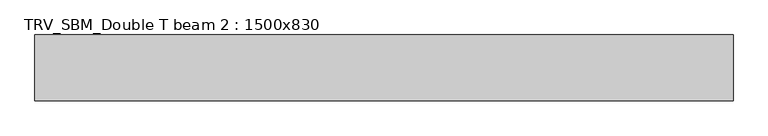
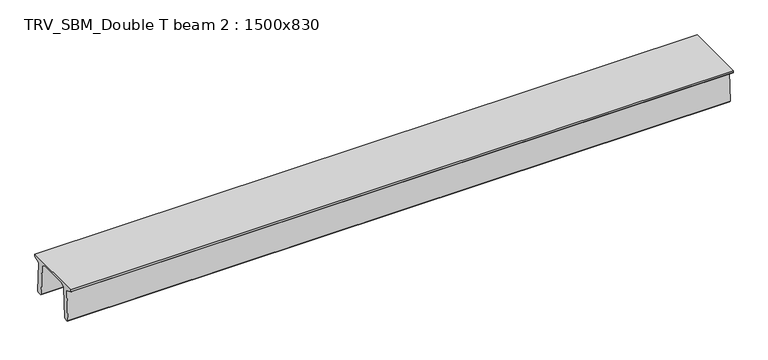
"""IFC4 building model written with IfcOpenShell, lengths in millimetres: beam geometry, TRV_SBM_Double T beam 2 : 1500x830."""

from ifc_helpers import new_model, si_unit, frame, origin, place, context, project, spatial, polyline, outline, extrude, source, transform, mapped, element, save


def trv_sbm_double_t_beam_2_1500x830_ab0b5788(model_context):
    return source(origin(), model_context, "Body", "SweptSolid", [
        extrude(outline(polyline([(337.4555014, 470.0), (-343.4555014, 470.0), (-456.5828437, 409.8491251), (-494.786332, -340.5206011), (-514.2657308, -360.0), (-604.2657308, -360.0), (-624.8277662, -339.4379646), (-586.9373878, 401.9654693), (-752.8511046, 468.9989621), (-753.0, 475.0), (-753.0, 520.0), (747.0, 520.0), (747.0, 475.0), (746.8511046, 468.9989621), (580.9373878, 401.9654693), (618.8277662, -339.4379646), (598.2657308, -360.0), (508.2657308, -360.0), (488.786332, -340.5206011), (450.5828437, 409.8491251), (337.4555014, 470.0)])), frame((-7958.5, 0.0, 0.0), z_axis=(1.0, 0.0, 0.0), x_axis=(0.0, 1.0, 0.0)), (0.0, 0.0, 1.0), 15917.0),
    ])


if __name__ == "__main__":
    model = new_model("IFC4")
    model_context = context("Model", 3, world=origin())
    ifc_project = project(units=[si_unit("LENGTHUNIT", "METRE", prefix="MILLI")], contexts=[model_context])
    site = spatial("IfcSite", under=ifc_project)
    building = spatial("IfcBuilding", under=site)
    placement = place(None, origin())
    trv_sbm_double_t_beam_2_1500x830_shape = trv_sbm_double_t_beam_2_1500x830_ab0b5788(model_context)
    element("IfcBeam", 1, ObjectType="TRV_SBM_Double T beam 2 : 1500x830", at=placement, inside=building, context=model_context, shape_type="MappedRepresentation", body=[
        mapped(trv_sbm_double_t_beam_2_1500x830_shape, transform((0.0, 0.0, 0.0), x_axis=(1.0, 0.0, 0.0), y_axis=(0.0, 1.0, 0.0), z_axis=(0.0, 0.0, 1.0))),
    ])
    save(model, "model.ifc")
